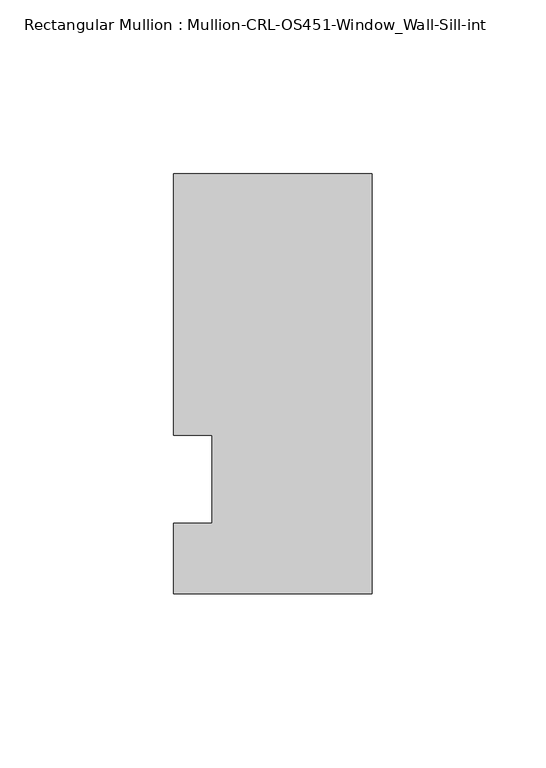
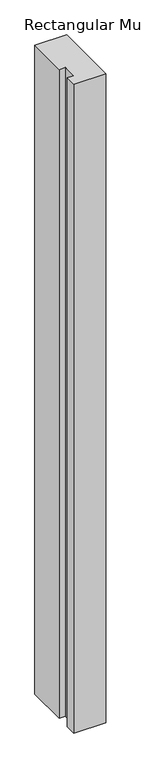
"""IFC4 building model written with IfcOpenShell, lengths in millimetres: member geometry, Rectangular Mullion : Mullion-CRL-OS451-Window_Wall-Sill-int."""

from ifc_helpers import new_model, si_unit, frame, origin, place, context, project, spatial, polyline, outline, extrude, source, transform, mapped, element, save


def rectangular_mullion_mullion_crl_os451_window_wall_sill_int_ff61e370(model_context):
    return source(origin(), model_context, "Body", "SweptSolid", [
        extrude(outline(polyline([(0.0, 87.8956155), (0.0, -32.9067845), (-57.1524558, -32.9067845), (-57.1524558, -12.7), (-46.0527457, -12.7), (-46.0527457, 12.7), (-57.1524558, 12.7), (-57.1524558, 87.8956155), (0.0, 87.8956155)])), frame((0.0, 0.0, -1229.7833332), z_axis=(0.0, 0.0, 1.0), x_axis=(1.0, 0.0, 0.0)), (0.0, 0.0, 1.0), 1229.7833332),
    ])


if __name__ == "__main__":
    model = new_model("IFC4")
    model_context = context("Model", 3, world=origin())
    ifc_project = project(units=[si_unit("LENGTHUNIT", "METRE", prefix="MILLI")], contexts=[model_context])
    site = spatial("IfcSite", under=ifc_project)
    building = spatial("IfcBuilding", under=site)
    placement = place(None, origin())
    rectangular_mullion_mullion_crl_os451_window_wall_sill_int_shape = rectangular_mullion_mullion_crl_os451_window_wall_sill_int_ff61e370(model_context)
    element("IfcMember", 1, ObjectType="Rectangular Mullion : Mullion-CRL-OS451-Window_Wall-Sill-int", at=placement, inside=building, context=model_context, shape_type="MappedRepresentation", body=[
        mapped(rectangular_mullion_mullion_crl_os451_window_wall_sill_int_shape, transform((0.0, 0.0, 0.0), x_axis=(1.0, 0.0, 0.0), y_axis=(0.0, 1.0, 0.0), z_axis=(0.0, 0.0, 1.0))),
    ])
    save(model, "model.ifc")
